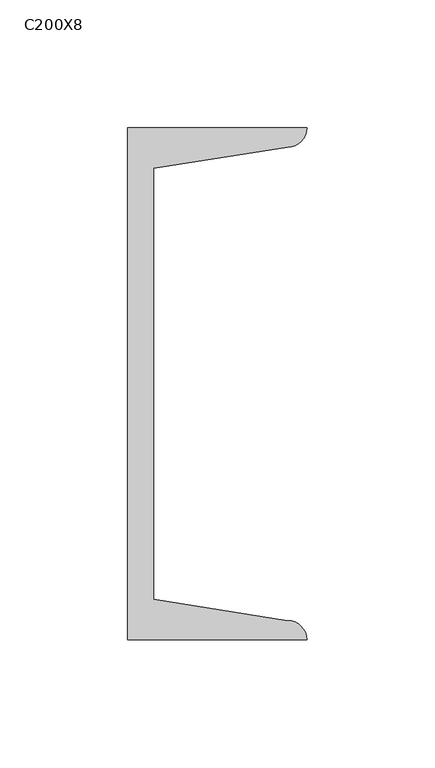
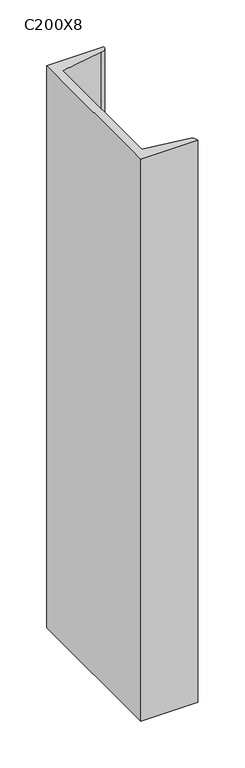
"""IFC4 building model written with IfcOpenShell, lengths in millimetres: column geometry, C200X8."""

from ifc_helpers import new_model, si_unit, point, frame, frame_2d, origin, place, context, project, spatial, polyline, circle_curve, trimmed, segment, composite_curve, outline, extrude, source, transform, mapped, element, save


def c200x8_229eb829(model_context):
    return source(origin(), model_context, "Body", "SweptSolid", [
        extrude(outline(composite_curve([segment(polyline([(5.0, 100.0), (75.0, 100.0)]), True, "CONTINUOUS"), segment(trimmed(circle_curve(frame_2d((67.5, 100.0)), 7.5), [point((75.0, 100.0))], [point((67.5, 92.5))], False, "CARTESIAN"), True, "CONTINUOUS"), segment(polyline([(67.5, 92.5), (15.0, 84.1848169), (15.0, -84.1848169), (67.5, -92.5)]), True, "CONTINUOUS"), segment(trimmed(circle_curve(frame_2d((67.5, -100.0)), 7.5), [point((67.5, -92.5))], [point((75.0, -100.0))], False, "CARTESIAN"), True, "CONTINUOUS"), segment(polyline([(75.0, -100.0), (5.0, -100.0), (5.0, 100.0)]), True, "CONTINUOUS")], self_intersect=False)), frame((0.0, 0.0, 9380.0), z_axis=(0.0, 0.0, 1.0), x_axis=(1.0, 0.0, 0.0)), (0.0, 0.0, 1.0), 730.0),
    ])


if __name__ == "__main__":
    model = new_model("IFC4")
    model_context = context("Model", 3, world=origin())
    ifc_project = project(units=[si_unit("LENGTHUNIT", "METRE", prefix="MILLI")], contexts=[model_context])
    site = spatial("IfcSite", under=ifc_project)
    building = spatial("IfcBuilding", under=site)
    placement = place(None, origin())
    c200x8_shape = c200x8_229eb829(model_context)
    element("IfcColumn", 1, ObjectType="C200X8", at=placement, inside=building, context=model_context, shape_type="MappedRepresentation", body=[
        mapped(c200x8_shape, transform((0.0, 0.0, 0.0), x_axis=(1.0, 0.0, 0.0), y_axis=(0.0, 1.0, 0.0), z_axis=(0.0, 0.0, 1.0))),
    ])
    save(model, "model.ifc")
